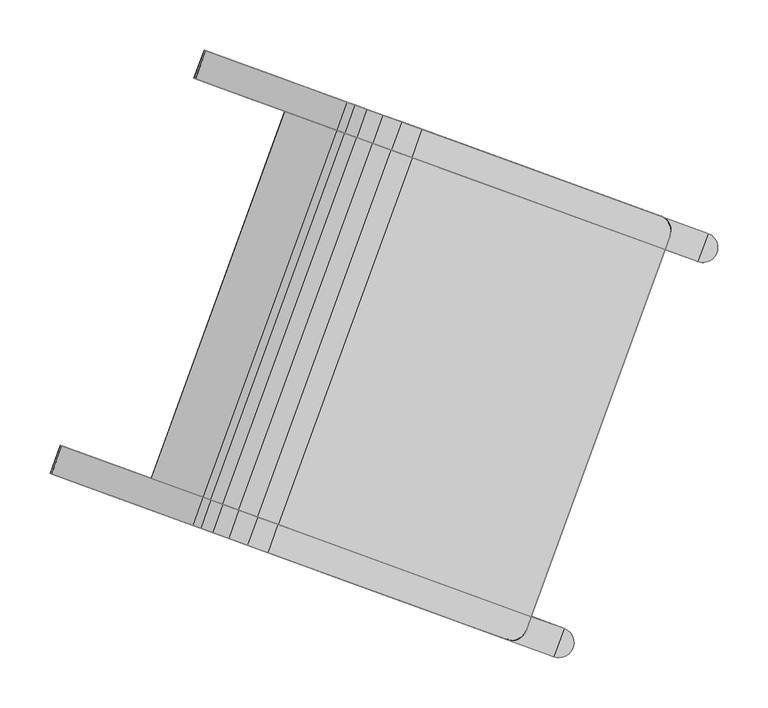
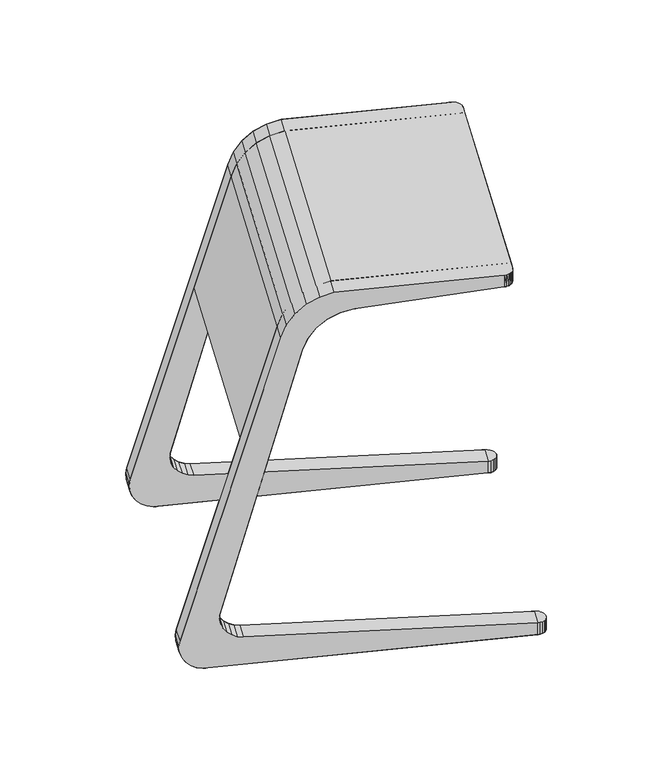
"""IFC4 building model written with IfcOpenShell, lengths in millimetres: furniture geometry."""

from ifc_helpers import new_model, si_unit, origin, place, context, project, spatial, triangles, source, transform, mapped, element, save


def furniture_464f81e3(model_context):
    return source(origin(), model_context, "Body", "Tessellation", [
        triangles([(543.3030234, 2301.9283153, 93.477997), (542.9309531, 2302.0637722, 84.4440008), (487.7040915, 2322.1646165, 53.744998), (544.5744574, 2301.4655529, 75.5719996), (548.1413909, 2300.1673036, 67.3639977), (486.1838355, 2322.7179984, 43.6249989), (553.4282775, 2298.2430752, 60.2850012), (560.137461, 2295.8010731, 54.7349993), (519.7663787, 2310.4949436, 0.0), (510.5122924, 2313.8631246, 2.8420001), (567.8890227, 2292.9797336, 51.0289983), (490.0487158, 2321.3112892, 23.6960009), (486.9805892, 2322.4279725, 33.4109989), (502.1659995, 2316.9009479, 7.9550002), (495.2103194, 2319.4325521, 15.0440002), (629.0631957, 2270.7142322, 578.3600101), (658.8279486, 2259.8807365, 552.2929965), (693.8287192, 2247.1415432, 603.559017), (664.3944693, 2257.8546247, 633.632036), (683.2043677, 2251.0083856, 644.3760023), (712.0284804, 2240.5173109, 613.0050247), (678.3160033, 2252.7876375, 589.7069919), (648.52974, 2263.6289816, 618.4299843), (703.8775244, 2243.4839903, 650.0460051), (731.836283, 2233.3078672, 617.4860012), (942.1292609, 2156.7675537, 650.0460051), (942.1292609, 2156.7675537, 629.2139917), (636.5223334, 2267.9992817, 599.6459928), (666.4129508, 2257.1200039, 572.2729906), (945.6023047, 2154.9596699, 650.0460051), (951.0944113, 2137.5419103, 650.0460051), (948.4893378, 2152.3136104, 650.0460051), (950.5929885, 2149.0120678, 650.0460051), (693.6171042, 2215.2931965, 650.0460051), (946.2054656, 2123.3586191, 650.0460051), (951.9417433, 2141.3645695, 650.0460051), (951.7708235, 2145.2770487, 650.0460051), (951.3356757, 2137.4539797, 650.0460051), (721.5758628, 2205.1170734, 617.4860012), (946.2054656, 2123.3586191, 630.0129982), (701.7680602, 2212.3265171, 613.0050247), (672.9439475, 2222.8176645, 644.3760023), (683.5680083, 2218.9507494, 603.559017), (654.1340491, 2229.6638309, 633.632036), (638.2690291, 2235.4381878, 618.4299843), (668.0555831, 2224.5968437, 589.7069919), (656.1525305, 2228.9292101, 572.2729906), (626.2616225, 2239.8084879, 599.6459928), (618.8024848, 2242.5234384, 578.3600101), (648.5672377, 2231.6899427, 552.2929965), (533.0423125, 2273.7375215, 93.477997), (477.4436713, 2293.973859, 53.744998), (509.5059584, 2282.3041498, 0.0), (549.8770407, 2267.6102793, 54.7349993), (543.1675666, 2270.0522814, 60.2850012), (500.2518721, 2285.6723308, 2.8420001), (557.6286025, 2264.7889398, 51.0289983), (532.6702422, 2273.8729784, 84.4440008), (537.8809706, 2271.9765098, 67.3639977), (534.3137465, 2273.2748318, 75.5719996), (475.9231246, 2294.5272409, 43.6249989), (479.7880049, 2293.1204954, 23.6960009), (476.7198783, 2294.237215, 33.4109989), (491.9055793, 2288.7101541, 7.9550002), (484.9498992, 2291.2417583, 15.0440002), (576.2428733, 2289.9391489, 49.3760014), (565.982453, 2261.7483551, 49.3760014), (951.0944113, 2137.5419103, 629.9999903), (951.3356757, 2137.4539797, 630.0129982), (997.5776206, 2131.9110767, 0.0), (998.7554557, 2128.1760576, 0.0), (998.9263755, 2124.2635784, 0.0), (995.4739699, 2135.2126194, 0.0), (989.113893, 2139.6665626, 0.0), (992.5869368, 2137.8586788, 0.0), (978.8531821, 2111.4757688, 0.0), (998.0790435, 2120.4409193, 0.0), (996.2710143, 2116.9678028, 0.0), (993.6249549, 2114.0806244, 0.0), (990.3222495, 2111.9763923, 0.0), (982.6759139, 2110.6282188, 0.0), (986.5884658, 2110.7994293, 0.0), (978.8531821, 2111.4757688, 20.97), (989.113893, 2139.6665626, 20.97), (581.3762809, 2256.1454267, 385.0460103), (566.7135131, 2261.4823103, 385.0460103), (632.4374083, 2237.5607326, 574.5450176), (638.596044, 2235.3191543, 592.3710008), (661.7117842, 2226.9057871, 620.9610071), (648.5428206, 2231.6988811, 608.1419858), (677.3564688, 2221.2115125, 630.1020189), (694.5885565, 2214.9395117, 635.0459759), (946.2054656, 2123.3586191, 635.0459759), (560.2293158, 1848.8130224, 650.0460051), (539.5561591, 1856.3374904, 644.3760023), (520.7462607, 1863.1836569, 633.632036), (504.8815314, 1868.9580137, 618.4299843), (492.8741248, 1873.3283138, 599.6459928), (485.4146964, 1876.0432644, 578.3600101), (433.3257247, 1895.0021362, 385.0460103), (447.9887831, 1889.6652527, 385.0460103), (499.0496199, 1871.0805586, 574.5450176), (505.2085463, 1868.8389803, 592.3710008), (515.1550322, 1865.2187071, 608.1419858), (528.3239958, 1860.425613, 620.9610071), (543.9689711, 1854.7313385, 630.1020189), (561.2010588, 1848.4594103, 635.0459759), (812.8176772, 1756.878445, 635.0459759), (812.8176772, 1756.878445, 650.0460051), (997.5776206, 2131.9110767, 20.97), (998.7554557, 2128.1760576, 20.97), (998.9263755, 2124.2635784, 20.97), (995.4739699, 2135.2126194, 20.97), (992.5869368, 2137.8586788, 20.97), (998.0790435, 2120.4409193, 20.97), (996.2710143, 2116.9678028, 20.97), (993.6249549, 2114.0806244, 20.97), (990.3222495, 2111.9763923, 20.97), (982.6759139, 2110.6282188, 20.97), (986.5884658, 2110.7994293, 20.97), (951.8827353, 2140.8071907, 629.980006), (951.9237212, 2144.1656339, 629.9220154), (951.217369, 2147.4492998, 629.8289978), (949.7976882, 2150.4933727, 629.7040054), (947.7367675, 2153.1462631, 629.555032), (945.1363448, 2155.2729502, 629.3889811), (333.795172, 1899.3028911, 53.744998), (389.0220336, 1879.2020832, 84.4440008), (389.3941039, 1879.0666263, 93.477997), (332.274916, 1899.8562731, 43.6249989), (394.2324713, 1877.305542, 67.3639977), (390.6655379, 1878.6038639, 75.5719996), (356.6033728, 1891.0014356, 2.8420001), (365.8574591, 1887.6331819, 0.0), (406.2285414, 1872.9393114, 54.7349993), (399.5190673, 1875.3813862, 60.2850012), (413.9801032, 1870.117972, 51.0289983), (333.0716696, 1899.5662472, 33.4109989), (336.1397963, 1898.4496002, 23.6960009), (341.3013999, 1896.5708631, 15.0440002), (348.25708, 1894.0391863, 7.9550002), (504.9190291, 1837.0190475, 552.2929965), (475.1539855, 1847.8525432, 578.3600101), (558.1195609, 1817.6555492, 613.0050247), (529.2954482, 1828.1466966, 644.3760023), (510.4855498, 1834.9929357, 633.632036), (539.919509, 1824.2797815, 603.559017), (494.6208205, 1840.7672199, 618.4299843), (524.4070838, 1829.9258758, 589.7069919), (577.9273635, 1810.4461056, 617.4860012), (549.9686049, 1820.6222286, 650.0460051), (788.2203414, 1733.9058647, 629.2139917), (788.2203414, 1733.9058647, 650.0460051), (512.5040312, 1834.2582422, 572.2729906), (482.6134139, 1845.1375927, 599.6459928), (795.9553343, 1733.2294525, 650.0460051), (807.445912, 1742.8709425, 650.0460051), (792.0427825, 1733.0583147, 650.0460051), (799.6891181, 1734.4064882, 650.0460051), (802.9921141, 1736.5107202, 650.0460051), (805.6381736, 1739.397826, 650.0460051), (807.6874671, 1742.7830118, 650.0460051), (812.8176772, 1756.878445, 630.0129982), (588.1880744, 1838.6368994, 617.4860012), (568.3802718, 1845.846343, 613.0050247), (550.1802199, 1852.4705753, 603.559017), (534.6677947, 1858.1166696, 589.7069919), (515.1794493, 1865.2098413, 552.2929965), (522.7647422, 1862.449036, 572.2729906), (344.0558829, 1927.4936849, 53.744998), (399.6545241, 1907.2574201, 93.477997), (366.8640837, 1919.1921568, 2.8420001), (409.7797782, 1903.5721073, 60.2850012), (416.4892523, 1901.1301052, 54.7349993), (376.11817, 1915.8239757, 0.0), (424.2408141, 1898.3087658, 51.0289983), (399.2824538, 1907.3928043, 84.4440008), (342.5353362, 1928.0470669, 43.6249989), (400.9259581, 1906.7946577, 75.5719996), (404.4931822, 1905.4963358, 67.3639977), (343.3323806, 1927.757041, 33.4109989), (346.4002166, 1926.6403213, 23.6960009), (351.5621108, 1924.7616569, 15.0440002), (358.5177909, 1922.2299801, 7.9550002), (432.5946646, 1895.2682537, 49.3760014), (422.3339537, 1867.0774599, 49.3760014), (807.6874671, 1742.7830118, 630.0129982), (807.445912, 1742.8709425, 629.9999903), (842.9399665, 1716.1284614, 0.0), (852.6228057, 1722.2968349, 0.0), (849.9767462, 1719.4097292, 0.0), (846.6737502, 1717.3054972, 0.0), (839.0277053, 1715.9573236, 0.0), (835.2049735, 1716.8048736, 0.0), (845.4653937, 1744.9956674, 0.0), (854.4305442, 1725.7699514, 0.0), (855.1069564, 1733.5050897, 0.0), (855.2781668, 1729.5926105, 0.0), (848.9387282, 1743.1877109, 0.0), (853.929412, 1737.2401089, 0.0), (851.8257613, 1740.5417242, 0.0), (835.2049735, 1716.8048736, 20.97), (845.4653937, 1744.9956674, 20.97), (842.9399665, 1716.1284614, 20.97), (852.6228057, 1722.2968349, 20.97), (849.9767462, 1719.4097292, 20.97), (846.6737502, 1717.3054972, 20.97), (839.0277053, 1715.9573236, 20.97), (854.4305442, 1725.7699514, 20.97), (855.1069564, 1733.5050897, 20.97), (855.2781668, 1729.5926105, 20.97), (848.9387282, 1743.1877109, 20.97), (853.929412, 1737.2401089, 20.97), (851.8257613, 1740.5417242, 20.97), (801.1718764, 1735.2023699, 629.8289978), (803.8237494, 1737.2636539, 629.9220154), (805.9509452, 1739.8628412, 629.980006), (794.8437743, 1733.0753921, 629.555032), (798.1275855, 1733.7829071, 629.7040054), (791.484677, 1733.1178314, 629.3889811)], [[1, 2, 3], [3, 4, 5], [6, 3, 5], [2, 4, 3], [7, 8, 9], [7, 9, 10], [9, 8, 11], [12, 5, 7], [5, 12, 13], [13, 6, 5], [7, 14, 15], [7, 15, 12], [14, 7, 10], [16, 1, 3], [1, 16, 17], [18, 19, 20], [18, 20, 21], [22, 23, 19], [22, 19, 18], [21, 20, 24], [25, 21, 24], [26, 27, 25], [26, 25, 24], [16, 28, 29], [16, 29, 17], [22, 29, 28], [22, 28, 23], [31, 30, 26], [30, 31, 32], [32, 31, 33], [26, 24, 34], [35, 26, 34], [31, 36, 37], [31, 37, 33], [31, 35, 38], [39, 40, 35], [34, 39, 35], [34, 41, 39], [41, 34, 42], [43, 41, 42], [43, 42, 44], [44, 45, 46], [44, 46, 43], [47, 48, 49], [47, 49, 50], [48, 47, 46], [48, 46, 45], [51, 50, 49], [52, 51, 49], [53, 54, 55], [56, 53, 55], [57, 54, 53], [52, 58, 51], [59, 60, 52], [59, 52, 61], [58, 52, 60], [62, 55, 59], [62, 59, 63], [64, 56, 55], [65, 64, 55], [62, 65, 55], [59, 61, 63], [2, 1, 51], [2, 51, 58], [4, 2, 58], [4, 58, 60], [5, 4, 60], [5, 60, 59], [7, 5, 59], [7, 59, 55], [8, 7, 55], [8, 55, 54], [11, 8, 54], [11, 54, 57], [66, 11, 57], [66, 57, 67], [17, 50, 51], [17, 51, 1], [21, 25, 39], [21, 39, 41], [18, 21, 41], [18, 41, 43], [22, 18, 43], [22, 43, 46], [29, 22, 46], [29, 46, 47], [17, 29, 47], [17, 47, 50], [68, 69, 40], [40, 69, 38], [40, 38, 35], [49, 48, 28], [49, 28, 16], [48, 45, 23], [48, 23, 28], [19, 23, 45], [19, 45, 44], [44, 42, 20], [44, 20, 19], [42, 34, 24], [42, 24, 20], [3, 52, 49], [3, 49, 16], [53, 56, 10], [53, 10, 9], [56, 64, 14], [56, 14, 10], [64, 65, 15], [64, 15, 14], [12, 15, 65], [12, 65, 62], [62, 63, 13], [62, 13, 12], [63, 61, 6], [63, 6, 13], [61, 52, 3], [61, 3, 6], [70, 71, 72], [73, 70, 72], [74, 73, 72], [73, 74, 75], [53, 9, 74], [53, 74, 76], [74, 72, 77], [74, 77, 76], [76, 77, 78], [76, 78, 79], [76, 79, 80], [76, 80, 81], [80, 82, 81], [83, 84, 66], [83, 66, 67], [31, 38, 69], [31, 69, 68], [49, 85, 86], [85, 49, 87], [49, 48, 88], [49, 88, 87], [45, 89, 90], [45, 90, 48], [90, 88, 48], [91, 89, 44], [91, 44, 42], [89, 45, 44], [92, 91, 42], [92, 42, 34], [35, 93, 92], [35, 92, 34], [94, 34, 42], [94, 42, 95], [95, 42, 44], [95, 44, 96], [96, 44, 45], [96, 45, 97], [97, 45, 48], [97, 48, 98], [98, 48, 49], [98, 49, 99], [99, 49, 86], [99, 86, 100], [100, 86, 85], [100, 85, 101], [101, 85, 87], [101, 87, 102], [88, 103, 102], [88, 102, 87], [90, 104, 103], [90, 103, 88], [104, 90, 89], [104, 89, 105], [91, 106, 105], [91, 105, 89], [92, 107, 106], [92, 106, 91], [107, 92, 93], [107, 93, 108], [108, 93, 35], [108, 35, 109], [109, 35, 34], [109, 34, 94], [102, 99, 100], [102, 100, 101], [102, 103, 98], [102, 98, 99], [98, 104, 105], [98, 105, 97], [98, 103, 104], [95, 96, 105], [95, 105, 106], [96, 97, 105], [94, 95, 106], [94, 106, 107], [94, 107, 108], [94, 108, 109], [110, 111, 112], [113, 110, 112], [84, 113, 112], [113, 84, 114], [84, 112, 115], [84, 115, 83], [83, 115, 116], [83, 116, 117], [83, 117, 118], [83, 118, 119], [118, 120, 119], [83, 76, 81], [83, 81, 119], [119, 81, 82], [119, 82, 120], [82, 120, 118], [82, 118, 80], [118, 80, 79], [118, 79, 117], [79, 117, 116], [79, 116, 78], [116, 78, 77], [116, 77, 115], [77, 115, 112], [77, 112, 72], [112, 72, 71], [112, 71, 111], [71, 111, 110], [71, 110, 70], [110, 70, 73], [110, 73, 113], [73, 113, 114], [73, 114, 75], [114, 75, 74], [114, 74, 84], [68, 121, 122], [68, 122, 123], [31, 68, 121], [31, 121, 36], [121, 36, 37], [121, 37, 122], [37, 122, 123], [37, 123, 33], [68, 123, 124], [68, 124, 125], [68, 125, 126], [68, 126, 27], [33, 123, 124], [33, 124, 125], [33, 125, 32], [32, 125, 126], [32, 126, 30], [30, 126, 27], [30, 27, 26], [67, 57, 53], [76, 67, 53], [67, 76, 83], [84, 74, 9], [84, 9, 66], [66, 9, 11], [127, 128, 129], [130, 131, 132], [130, 132, 127], [127, 132, 128], [133, 134, 135], [133, 135, 136], [134, 137, 135], [136, 138, 139], [138, 136, 131], [131, 130, 138], [139, 140, 141], [139, 141, 136], [141, 133, 136], [127, 142, 143], [142, 127, 129], [144, 145, 146], [144, 146, 147], [147, 146, 148], [147, 148, 149], [150, 151, 145], [150, 145, 144], [151, 150, 152], [151, 152, 153], [142, 154, 155], [142, 155, 143], [148, 155, 154], [148, 154, 149], [153, 156, 157], [156, 153, 158], [156, 159, 157], [109, 94, 151], [109, 151, 153], [159, 160, 161], [159, 161, 157], [157, 162, 109], [94, 109, 163], [94, 163, 164], [95, 94, 164], [95, 164, 165], [96, 95, 165], [96, 165, 166], [166, 167, 97], [166, 97, 96], [168, 99, 98], [168, 98, 169], [97, 167, 169], [97, 169, 98], [170, 99, 168], [170, 168, 171], [172, 173, 174], [172, 174, 175], [176, 175, 174], [170, 171, 177], [178, 170, 179], [178, 179, 180], [177, 179, 170], [181, 180, 173], [182, 181, 173], [183, 173, 172], [183, 172, 184], [173, 183, 182], [181, 178, 180], [177, 171, 129], [177, 129, 128], [179, 177, 128], [179, 128, 132], [180, 179, 132], [180, 132, 131], [173, 180, 131], [173, 131, 136], [174, 173, 136], [174, 136, 135], [176, 174, 135], [176, 135, 137], [185, 176, 137], [185, 137, 186], [129, 171, 168], [129, 168, 142], [165, 164, 150], [165, 150, 144], [166, 165, 144], [166, 144, 147], [167, 166, 147], [167, 147, 149], [169, 167, 149], [169, 149, 154], [168, 169, 154], [168, 154, 142], [163, 187, 188], [109, 162, 187], [109, 187, 163], [143, 155, 98], [143, 98, 99], [155, 148, 97], [155, 97, 98], [96, 97, 148], [96, 148, 146], [146, 145, 95], [146, 95, 96], [145, 151, 94], [145, 94, 95], [143, 99, 170], [143, 170, 127], [134, 133, 172], [134, 172, 175], [133, 141, 184], [133, 184, 172], [141, 140, 183], [141, 183, 184], [182, 183, 140], [182, 140, 139], [139, 138, 181], [139, 181, 182], [138, 130, 178], [138, 178, 181], [130, 127, 170], [130, 170, 178], [189, 190, 191], [189, 191, 192], [190, 193, 194], [193, 190, 189], [195, 194, 134], [195, 134, 175], [195, 196, 190], [195, 190, 194], [197, 198, 196], [195, 197, 196], [199, 200, 197], [195, 199, 197], [199, 201, 200], [185, 186, 202], [185, 202, 203], [188, 187, 162], [188, 162, 157], [204, 205, 206], [204, 206, 207], [205, 208, 202], [208, 205, 204], [203, 209, 205], [203, 205, 202], [210, 211, 209], [203, 210, 209], [212, 213, 210], [203, 212, 210], [212, 214, 213], [212, 199, 195], [212, 195, 203], [214, 201, 199], [214, 199, 212], [200, 213, 214], [200, 214, 201], [210, 197, 200], [210, 200, 213], [198, 211, 210], [198, 210, 197], [209, 196, 198], [209, 198, 211], [190, 205, 209], [190, 209, 196], [206, 191, 190], [206, 190, 205], [192, 207, 206], [192, 206, 191], [204, 189, 192], [204, 192, 207], [193, 208, 204], [193, 204, 189], [202, 194, 193], [202, 193, 208], [215, 216, 217], [215, 217, 188], [161, 217, 188], [161, 188, 157], [216, 160, 161], [216, 161, 217], [159, 215, 216], [159, 216, 160], [218, 219, 215], [218, 215, 188], [152, 220, 218], [152, 218, 188], [219, 215, 159], [156, 218, 219], [156, 219, 159], [158, 220, 218], [158, 218, 156], [153, 152, 220], [153, 220, 158], [185, 175, 176], [203, 195, 175], [203, 175, 185], [194, 186, 134], [186, 194, 202], [186, 137, 134], [150, 164, 163], [150, 163, 152], [39, 25, 27], [39, 27, 40], [35, 31, 26], [153, 157, 109], [40, 27, 68], [163, 188, 152]], closed=False),
    ])


if __name__ == "__main__":
    model = new_model("IFC4")
    model_context = context("Model", 3, world=origin())
    ifc_project = project(units=[si_unit("LENGTHUNIT", "METRE", prefix="MILLI")], contexts=[model_context])
    site = spatial("IfcSite", under=ifc_project)
    building = spatial("IfcBuilding", under=site)
    placement = place(None, origin())
    furniture_shape = furniture_464f81e3(model_context)
    element("IfcFurniture", 1, at=placement, inside=building, context=model_context, shape_type="MappedRepresentation", body=[
        mapped(furniture_shape, transform((0.0, 0.0, 0.0), x_axis=(1.0, 0.0, 0.0), y_axis=(0.0, 1.0, 0.0), z_axis=(0.0, 0.0, 1.0))),
    ])
    save(model, "model.ifc")
